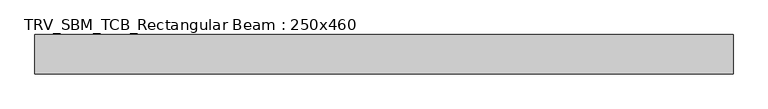
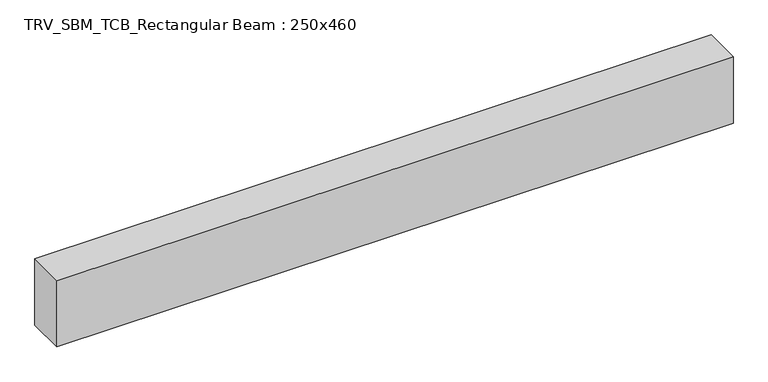
"""IFC4 building model written with IfcOpenShell, lengths in millimetres: beam geometry, TRV_SBM_TCB_Rectangular Beam : 250x460."""

from ifc_helpers import new_model, si_unit, frame, origin, place, context, project, spatial, polyline, outline, extrude, source, transform, mapped, element, save


def trv_sbm_tcb_rectangular_beam_250x460_a0ca2cc6(model_context):
    return source(origin(), model_context, "Body", "SweptSolid", [
        extrude(outline(polyline([(2219.2, 125.0), (2219.2, -125.0), (-2219.2, -125.0), (-2219.2, 125.0), (2219.2, 125.0)])), frame((0.0, 0.0, -230.0), z_axis=(0.0, 0.0, 1.0), x_axis=(1.0, 0.0, 0.0)), (0.0, 0.0, 1.0), 460.0),
    ])


if __name__ == "__main__":
    model = new_model("IFC4")
    model_context = context("Model", 3, world=origin())
    ifc_project = project(units=[si_unit("LENGTHUNIT", "METRE", prefix="MILLI")], contexts=[model_context])
    site = spatial("IfcSite", under=ifc_project)
    building = spatial("IfcBuilding", under=site)
    placement = place(None, origin())
    trv_sbm_tcb_rectangular_beam_250x460_shape = trv_sbm_tcb_rectangular_beam_250x460_a0ca2cc6(model_context)
    element("IfcBeam", 1, ObjectType="TRV_SBM_TCB_Rectangular Beam : 250x460", at=placement, inside=building, context=model_context, shape_type="MappedRepresentation", body=[
        mapped(trv_sbm_tcb_rectangular_beam_250x460_shape, transform((0.0, 0.0, 0.0), x_axis=(1.0, 0.0, 0.0), y_axis=(0.0, 1.0, 0.0), z_axis=(0.0, 0.0, 1.0))),
    ])
    save(model, "model.ifc")
